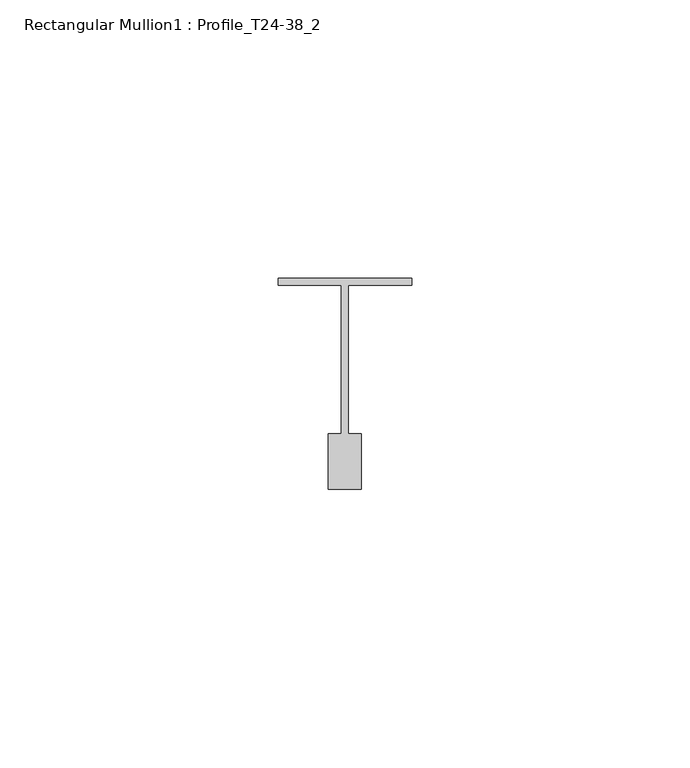
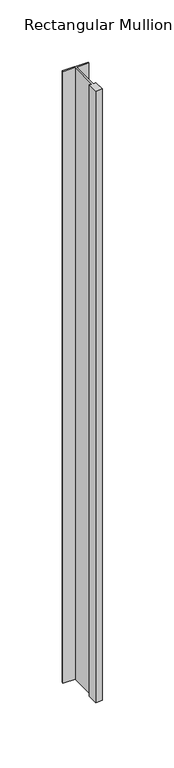
"""IFC4 building model written with IfcOpenShell, lengths in millimetres: member geometry, Rectangular Mullion1 : Profile_T24-38_2."""

from ifc_helpers import new_model, si_unit, frame, origin, place, context, project, spatial, polyline, outline, extrude, source, transform, mapped, element, save


def rectangular_mullion1_profile_t24_38_2_9258bcf3(model_context):
    return source(origin(), model_context, "Body", "SweptSolid", [
        extrude(outline(polyline([(-12.0, -0.5), (12.0, -0.5), (12.0, -1.75), (0.6, -1.75), (0.6, -28.5), (3.0, -28.5), (3.0, -38.5), (-3.0, -38.5), (-3.0, -28.5), (-0.6, -28.5), (-0.6, -1.75), (-12.0, -1.75), (-12.0, -0.5)])), frame((0.0, 0.0, -600.0), z_axis=(0.0, 0.0, 1.0), x_axis=(1.0, 0.0, 0.0)), (0.0, 0.0, 1.0), 600.0),
    ])


if __name__ == "__main__":
    model = new_model("IFC4")
    model_context = context("Model", 3, world=origin())
    ifc_project = project(units=[si_unit("LENGTHUNIT", "METRE", prefix="MILLI")], contexts=[model_context])
    site = spatial("IfcSite", under=ifc_project)
    building = spatial("IfcBuilding", under=site)
    placement = place(None, origin())
    rectangular_mullion1_profile_t24_38_2_shape = rectangular_mullion1_profile_t24_38_2_9258bcf3(model_context)
    element("IfcMember", 1, ObjectType="Rectangular Mullion1 : Profile_T24-38_2", at=placement, inside=building, context=model_context, shape_type="MappedRepresentation", body=[
        mapped(rectangular_mullion1_profile_t24_38_2_shape, transform((0.0, 0.0, 0.0), x_axis=(1.0, 0.0, 0.0), y_axis=(0.0, 1.0, 0.0), z_axis=(0.0, 0.0, 1.0))),
    ])
    save(model, "model.ifc")
